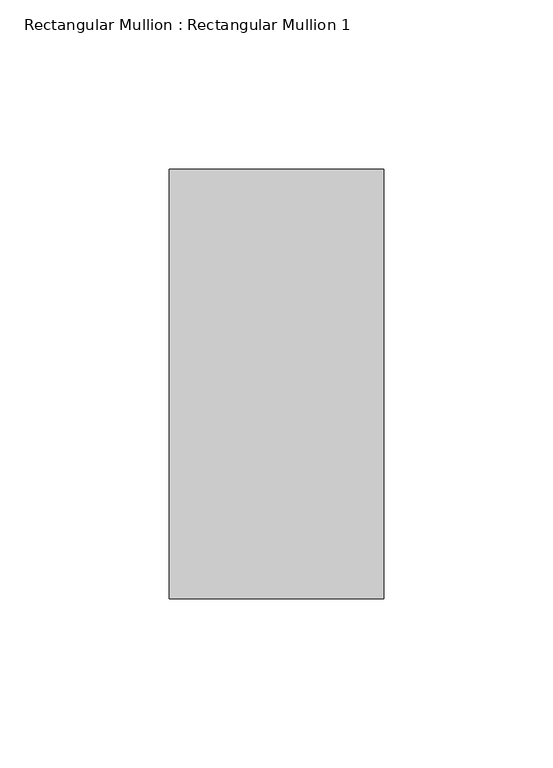
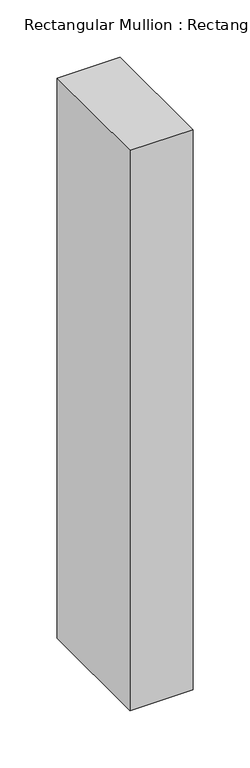
"""IFC4 building model written with IfcOpenShell, lengths in millimetres: member geometry, Rectangular Mullion : Rectangular Mullion 1."""

from ifc_helpers import new_model, si_unit, frame, origin, place, context, project, spatial, polyline, outline, extrude, source, transform, mapped, element, save


def rectangular_mullion_rectangular_mullion_1_86293703(model_context):
    return source(origin(), model_context, "Body", "SweptSolid", [
        extrude(outline(polyline([(31.75, 63.5), (31.75, -63.5), (-31.75, -63.5), (-31.75, 63.5), (31.75, 63.5)])), frame((0.0, 0.0, -596.9), z_axis=(0.0, 0.0, 1.0), x_axis=(1.0, 0.0, 0.0)), (0.0, 0.0, 1.0), 596.9),
    ])


if __name__ == "__main__":
    model = new_model("IFC4")
    model_context = context("Model", 3, world=origin())
    ifc_project = project(units=[si_unit("LENGTHUNIT", "METRE", prefix="MILLI")], contexts=[model_context])
    site = spatial("IfcSite", under=ifc_project)
    building = spatial("IfcBuilding", under=site)
    placement = place(None, origin())
    rectangular_mullion_rectangular_mullion_1_shape = rectangular_mullion_rectangular_mullion_1_86293703(model_context)
    element("IfcMember", 1, ObjectType="Rectangular Mullion : Rectangular Mullion 1", at=placement, inside=building, context=model_context, shape_type="MappedRepresentation", body=[
        mapped(rectangular_mullion_rectangular_mullion_1_shape, transform((0.0, 0.0, 0.0), x_axis=(1.0, 0.0, 0.0), y_axis=(0.0, 1.0, 0.0), z_axis=(0.0, 0.0, 1.0))),
    ])
    save(model, "model.ifc")
